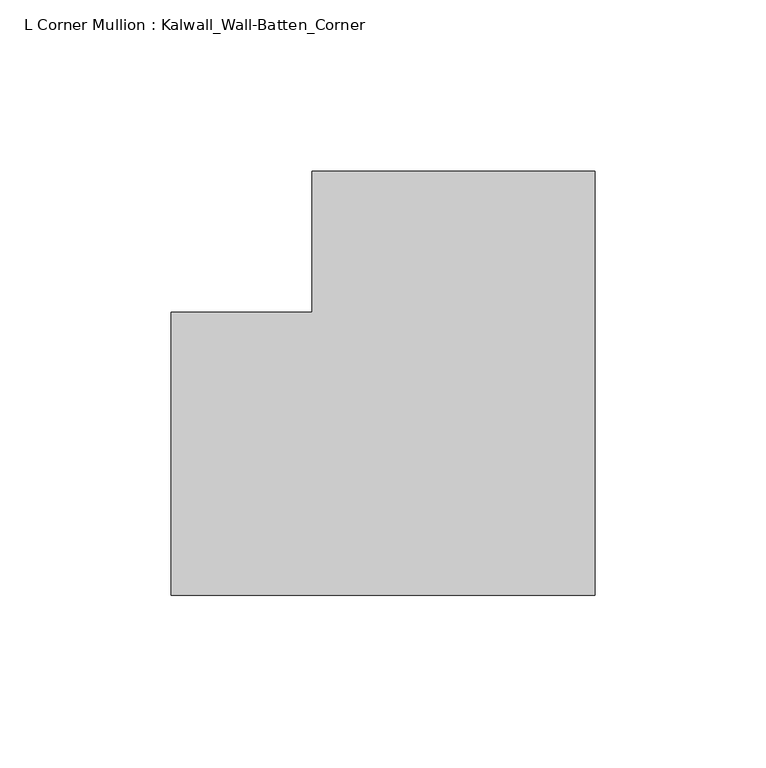
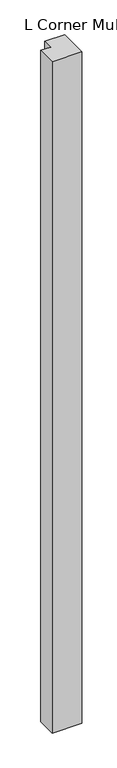
"""IFC4 building model written with IfcOpenShell, lengths in millimetres: member geometry, L Corner Mullion : Kalwall_Wall-Batten_Corner."""

from ifc_helpers import new_model, si_unit, frame, origin, place, context, project, spatial, polyline, outline, extrude, source, transform, mapped, element, save


def l_corner_mullion_kalwall_wall_batten_corner_d1ce2738(model_context):
    return source(origin(), model_context, "Body", "SweptSolid", [
        extrude(outline(polyline([(41.275, 82.55), (41.275, -41.275), (-82.55, -41.275), (-82.55, 41.275), (-41.275, 41.275), (-41.275, 82.55), (41.275, 82.55)])), frame((0.0, 0.0, -2962.275), z_axis=(0.0, 0.0, 1.0), x_axis=(1.0, 0.0, 0.0)), (0.0, 0.0, 1.0), 2962.275),
    ])


if __name__ == "__main__":
    model = new_model("IFC4")
    model_context = context("Model", 3, world=origin())
    ifc_project = project(units=[si_unit("LENGTHUNIT", "METRE", prefix="MILLI")], contexts=[model_context])
    site = spatial("IfcSite", under=ifc_project)
    building = spatial("IfcBuilding", under=site)
    placement = place(None, origin())
    l_corner_mullion_kalwall_wall_batten_corner_shape = l_corner_mullion_kalwall_wall_batten_corner_d1ce2738(model_context)
    element("IfcMember", 1, ObjectType="L Corner Mullion : Kalwall_Wall-Batten_Corner", at=placement, inside=building, context=model_context, shape_type="MappedRepresentation", body=[
        mapped(l_corner_mullion_kalwall_wall_batten_corner_shape, transform((0.0, 0.0, 0.0), x_axis=(1.0, 0.0, 0.0), y_axis=(0.0, 1.0, 0.0), z_axis=(0.0, 0.0, 1.0))),
    ])
    save(model, "model.ifc")
